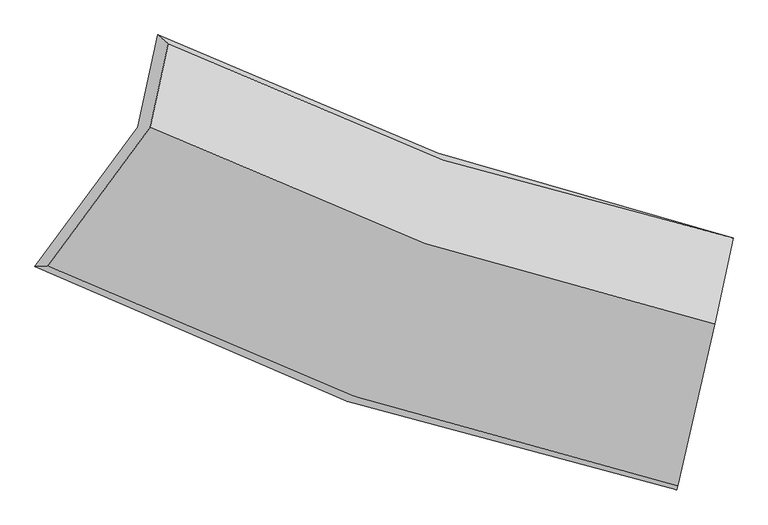
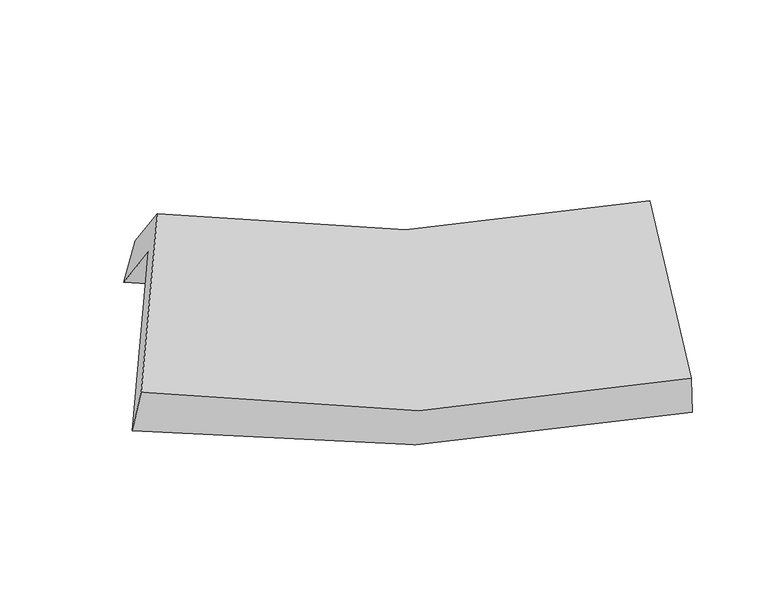
"""IFC4 building model written with IfcOpenShell, lengths in millimetres: proxy geometry."""

from ifc_helpers import new_model, si_unit, frame, origin, place, context, project, spatial, source, transform, mapped, element, save
from ifc_brep_helpers import plane_surface, spline_curve, spline_surface, advanced_brep


def generic_models_35184b7f(model_context):
    return source(origin(), model_context, "Body", "AdvancedBrep", [
        advanced_brep(
        [(-823.1924918, -1269.7173492, 2239.6665177), (-763.5434676, -991.8477865, 1918.7262883), (963.8414785, -1603.2680788, 1747.6778902), (904.3819564, -1880.2548628, 2067.5985074), (-1131.7737129, -1688.3481495, 1819.8645926), (795.6215748, -2359.5448072, 1632.4161117), (-1093.4503557, -1686.6252597, 1974.627231), (799.2210597, -2347.0486496, 1772.3563303), (-785.297882, -1268.5761114, 2393.8458769), (909.7296488, -1860.0546292, 2214.5338201), (-731.4654702, -1017.8027095, 2104.2017994), (965.0767799, -1602.2250452, 1916.7398299)],
        [
            (0, 1),
            (1, 2, spline_curve(3, [(-763.5434676, -991.8477865, 1918.7262883), (-490.957320982, -1127.005150623, 1847.99744831), (-210.354293782, -1245.617408469, 1798.39521353), (365.516558151, -1449.267593436, 1741.57901823), (660.708513038, -1534.462099693, 1734.165120305), (963.8414785, -1603.2680788, 1747.6778902)], [4, 2, 4], [0.0, 0.5011886026408157, 1.0])),
            (2, 3),
            (3, 0, spline_curve(3, [(904.3819564, -1880.2548628, 2067.5985074), (599.091833281, -1821.497806751, 2065.692275619), (302.803018679, -1741.412921785, 2079.00780242), (-273.141130954, -1538.104187418, 2136.218374253), (-552.710465746, -1414.67656785, 2180.258850904), (-823.1924918, -1269.7173492, 2239.6665177)], [4, 2, 4], [0.0, 0.49881139735918434, 1.0])),
            (4, 0),
            (3, 5),
            (5, 4, spline_curve(3, [(795.6215748, -2359.5448072, 1632.4161117), (456.528590433, -2293.316110698, 1630.696312691), (126.725505476, -2204.455600687, 1645.380896796), (-515.82834789, -1980.93961012, 1707.706993129), (-828.490358864, -1846.067900932, 1755.50523602), (-1131.7737129, -1688.3481495, 1819.8645926)], [4, 2, 4], [0.0, 0.49881139735918434, 1.0])),
            (6, 4),
            (5, 7),
            (7, 6, spline_curve(3, [(799.2210597, -2347.0486496, 1772.3563303), (465.724021388, -2277.755951182, 1763.460992682), (141.605475666, -2188.253307312, 1775.778614578), (-489.374600034, -1968.305267045, 1842.999575445), (-796.146526127, -1837.666780941, 1898.10558715), (-1093.4503557, -1686.6252597, 1974.627231)], [4, 2, 4], [0.0, 0.49881139735918434, 1.0])),
            (8, 6),
            (7, 9),
            (9, 8, spline_curve(3, [(909.7296488, -1860.0546292, 2214.5338201), (611.087667358, -1797.972552409, 2205.873597467), (320.830188935, -1717.801912373, 2216.404904836), (-244.259095165, -1520.81522804, 2275.99223087), (-519.010793641, -1403.826362143, 2325.23160911), (-785.297882, -1268.5761114, 2393.8458769)], [4, 2, 4], [0.0, 0.49881139735918434, 1.0])),
            (10, 8),
            (9, 11),
            (11, 10, spline_curve(3, [(965.0767799, -1602.2250452, 1916.7398299), (665.687358327, -1543.624850404, 1912.101192054), (374.929644228, -1465.784512767, 1925.324006044), (-190.666908139, -1271.160891533, 1987.640677477), (-465.423277411, -1154.193783967, 2036.905186652), (-731.4654702, -1017.8027095, 2104.2017994)], [4, 2, 4], [0.0, 0.49881139735918434, 1.0])),
            (1, 10),
            (11, 2),
        ],
        [
            spline_surface(3, 3, [[(-823.1924918, -1269.7173492, 2239.6665177), (-552.710465741, -1414.676567853, 2180.258850899), (-273.141130952, -1538.104187417, 2136.218374251), (302.803018678, -1741.412921785, 2079.007802423), (599.091833284, -1821.497806754, 2065.692275625), (904.3819564, -1880.2548628, 2067.5985074)], [(-803.309483721, -1177.094161639, 2132.686441238), (-532.126084143, -1318.786095447, 2069.505050041), (-252.212185255, -1440.608594447, 2023.610654032), (323.707531814, -1644.031145681, 1966.531541046), (619.630726523, -1725.819237734, 1955.183223852), (924.201797087, -1787.925934799, 1960.958301667)], [(-783.426475679, -1084.470974061, 2025.706364762), (-511.541702582, -1222.895623026, 1958.75124917), (-231.283239486, -1343.11300144, 1911.00293375), (344.612045022, -1546.649369539, 1854.055279606), (640.169619802, -1630.140668716, 1844.674172079), (944.021637813, -1695.597006801, 1854.318095933)], [(-763.5434676, -991.8477865, 1918.7262883), (-490.957320984, -1127.00515062, 1847.997448312), (-210.354293789, -1245.61740847, 1798.395213531), (365.516558158, -1449.267593435, 1741.579018229), (660.708513042, -1534.462099696, 1734.165120306), (963.8414785, -1603.2680788, 1747.6778902)]], [4, 4], [4, 2, 4], [0.0, 1.0], [0.0, 0.5011886026408157, 1.0]),
            spline_surface(3, 3, [[(-1131.7737129, -1688.3481495, 1819.8645926), (-828.490358862, -1846.067900929, 1755.505236018), (-515.828347887, -1980.939610121, 1707.706993132), (126.725505473, -2204.455600685, 1645.380896793), (456.528590437, -2293.316110695, 1630.696312698), (795.6215748, -2359.5448072, 1632.4161117)], [(-1028.91330587, -1548.804549399, 1959.798567637), (-736.563727825, -1702.270789903, 1897.089774315), (-434.932608903, -1833.32780255, 1850.544120157), (185.418009881, -2050.108041049, 1789.923198655), (504.049671405, -2136.043342699, 1775.69496701), (831.875035352, -2199.781492384, 1777.47691027)], [(-926.05289883, -1409.260949301, 2099.732542663), (-644.637096777, -1558.473678879, 2038.674312602), (-354.036869936, -1685.715994989, 1993.381247226), (244.11051427, -1895.760481422, 1934.465500561), (551.570752317, -1978.77057475, 1920.693621313), (868.128495848, -2040.018177616, 1922.53770883)], [(-823.1924918, -1269.7173492, 2239.6665177), (-552.710465741, -1414.676567853, 2180.258850899), (-273.141130952, -1538.104187417, 2136.218374251), (302.803018678, -1741.412921785, 2079.007802423), (599.091833284, -1821.497806754, 2065.692275625), (904.3819564, -1880.2548628, 2067.5985074)]], [4, 4], [4, 2, 4], [0.0, 1.0], [0.0, 0.5011886026408157, 1.0]),
            spline_surface(3, 3, [[(-1093.4503557, -1686.6252597, 1974.627231), (-796.146526125, -1837.666780949, 1898.105587156), (-489.374600042, -1968.305267042, 1842.999575446), (141.605475674, -2188.253307315, 1775.778614577), (465.724021389, -2277.755951189, 1763.460992688), (799.2210597, -2347.0486496, 1772.3563303)], [(-1106.224808104, -1687.199556293, 1923.039684876), (-806.927803708, -1840.467154268, 1850.572136786), (-498.192515973, -1972.516714727, 1797.902048006), (136.645485624, -2193.654071765, 1732.312708647), (462.658877715, -2282.942671032, 1719.206099359), (798.021231376, -2351.214035474, 1725.709590768)], [(-1118.999260496, -1687.773852907, 1871.452138724), (-817.70908128, -1843.267527609, 1803.038686388), (-507.010431956, -1976.728162436, 1752.804520572), (131.685495523, -2199.054836236, 1688.846802723), (459.593734112, -2288.129390852, 1674.951206027), (796.821403124, -2355.379421326, 1679.062851232)], [(-1131.7737129, -1688.3481495, 1819.8645926), (-828.490358862, -1846.067900929, 1755.505236018), (-515.828347887, -1980.939610121, 1707.706993132), (126.725505473, -2204.455600685, 1645.380896793), (456.528590437, -2293.316110695, 1630.696312698), (795.6215748, -2359.5448072, 1632.4161117)]], [4, 4], [4, 2, 4], [0.0, 1.0], [0.0, 0.5011886026408157, 1.0]),
            spline_surface(3, 3, [[(-785.297882, -1268.5761114, 2393.8458769), (-519.010793642, -1403.826362135, 2325.231609106), (-244.259095166, -1520.815228047, 2275.992230876), (320.830188935, -1717.801912367, 2216.40490483), (611.087667355, -1797.972552413, 2205.873597464), (909.7296488, -1860.0546292, 2214.5338201)], [(-888.015373211, -1407.925827495, 2254.106328262), (-611.389371115, -1548.439835068, 2182.856268451), (-325.964263472, -1669.978574382, 2131.661345751), (261.088617833, -1874.619044021, 2069.529474764), (562.633118704, -1957.900352012, 2058.402729219), (872.893452438, -2022.385969341, 2067.141323513)], [(-990.732864489, -1547.275543605, 2114.366779638), (-703.767948653, -1693.053308016, 2040.480927811), (-407.669431735, -1819.141920706, 1987.330460571), (201.347046775, -2031.436175662, 1922.654044643), (514.17857004, -2117.82815159, 1910.931860934), (836.057256062, -2184.717309459, 1919.748826887)], [(-1093.4503557, -1686.6252597, 1974.627231), (-796.146526125, -1837.666780949, 1898.105587156), (-489.374600042, -1968.305267042, 1842.999575446), (141.605475674, -2188.253307315, 1775.778614577), (465.724021389, -2277.755951189, 1763.460992688), (799.2210597, -2347.0486496, 1772.3563303)]], [4, 4], [4, 2, 4], [0.0, 1.0], [0.0, 0.5011886026408157, 1.0]),
            spline_surface(3, 3, [[(-731.4654702, -1017.8027095, 2104.2017994), (-465.423277404, -1154.193783971, 2036.905186652), (-190.666908132, -1271.160891531, 1987.640677475), (374.92964422, -1465.784512768, 1925.324006046), (665.68735832, -1543.624850409, 1912.101192052), (965.0767799, -1602.2250452, 1916.7398299)], [(-749.409607475, -1101.393843489, 2200.749825236), (-483.285782825, -1237.404643381, 2133.013994139), (-208.53097047, -1354.3790037, 2083.757861921), (356.896492464, -1549.790312631, 2022.350972286), (647.487461345, -1628.407417737, 2010.025327188), (946.627736213, -1688.16823986, 2016.004493298)], [(-767.353744725, -1184.984977411, 2297.297851064), (-501.148288221, -1320.615502725, 2229.122801618), (-226.395032827, -1437.597115878, 2179.87504643), (338.863340691, -1633.796112504, 2119.377938589), (629.287564331, -1713.189985085, 2107.949462328), (928.178692487, -1774.11143454, 2115.269156702)], [(-785.297882, -1268.5761114, 2393.8458769), (-519.010793642, -1403.826362135, 2325.231609106), (-244.259095166, -1520.815228047, 2275.992230876), (320.830188935, -1717.801912367, 2216.40490483), (611.087667355, -1797.972552413, 2205.873597464), (909.7296488, -1860.0546292, 2214.5338201)]], [4, 4], [4, 2, 4], [0.0, 1.0], [0.0, 0.5011886026408157, 1.0]),
            spline_surface(3, 3, [[(-763.5434676, -991.8477865, 1918.7262883), (-490.957320984, -1127.00515062, 1847.997448312), (-210.354293789, -1245.61740847, 1798.395213531), (365.516558158, -1449.267593435, 1741.579018229), (660.708513042, -1534.462099696, 1734.165120306), (963.8414785, -1603.2680788, 1747.6778902)], [(-752.850801819, -1000.499427486, 1980.551458651), (-482.445973143, -1136.068028389, 1910.96669441), (-203.791831894, -1254.131902822, 1861.477034844), (368.654253522, -1454.77323321, 1802.8273475), (662.368128136, -1537.516349942, 1793.477144205), (964.253245635, -1602.920400942, 1804.031870084)], [(-742.158135981, -1009.151068514, 2042.376629049), (-473.934625245, -1145.130906201, 1973.935940554), (-197.229370027, -1262.64639718, 1924.558856162), (371.791948857, -1460.278872993, 1864.075676775), (664.027743226, -1540.570600163, 1852.789168152), (964.665012765, -1602.572723058, 1860.385850016)], [(-731.4654702, -1017.8027095, 2104.2017994), (-465.423277404, -1154.193783971, 2036.905186652), (-190.666908132, -1271.160891531, 1987.640677475), (374.92964422, -1465.784512768, 1925.324006046), (665.68735832, -1543.624850409, 1912.101192052), (965.0767799, -1602.2250452, 1916.7398299)]], [4, 4], [4, 2, 4], [0.0, 1.0], [0.0, 0.5011886026408157, 1.0]),
            plane_surface(frame((889.6454164, -1942.0660121, 1891.8870816), z_axis=(0.976314295832811, -0.2162793629807388, -0.005799387996003436), x_axis=(-0.16567869241222347, -0.7301200131344064, -0.662929360717407))),
            plane_surface(frame((-888.1205634, -1320.4862276, 2075.1553843), z_axis=(-0.8760560714970299, 0.43305131802070146, 0.2121139211690834), x_axis=(-0.1391436905977035, -0.6481882470156278, 0.7486594885511424))),
        ],
        [
            (0, [[1, 2, 3, 4]]),
            (1, [[5, -4, 6, 7]]),
            (2, [[8, -7, 9, 10]]),
            (3, [[11, -10, 12, 13]]),
            (4, [[14, -13, 15, 16]]),
            (5, [[17, -16, 18, -2]]),
            (6, [[-12, -9, -6, -3, -18, -15]]),
            (7, [[-1, -5, -8, -11, -14, -17]]),
        ],
    ),
    ])


if __name__ == "__main__":
    model = new_model("IFC4")
    model_context = context("Model", 3, world=origin())
    ifc_project = project(units=[si_unit("LENGTHUNIT", "METRE", prefix="MILLI")], contexts=[model_context])
    site = spatial("IfcSite", under=ifc_project)
    building = spatial("IfcBuilding", under=site)
    placement = place(None, origin())
    generic_models_shape = generic_models_35184b7f(model_context)
    element("IfcBuildingElementProxy", 1, Name="Generic Models", at=placement, inside=building, context=model_context, shape_type="MappedRepresentation", body=[
        mapped(generic_models_shape, transform((0.0, 0.0, 0.0), x_axis=(1.0, 0.0, 0.0), y_axis=(0.0, 1.0, 0.0), z_axis=(0.0, 0.0, 1.0))),
    ])
    save(model, "model.ifc")
